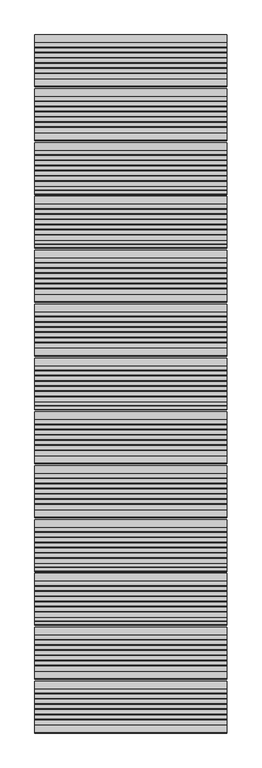
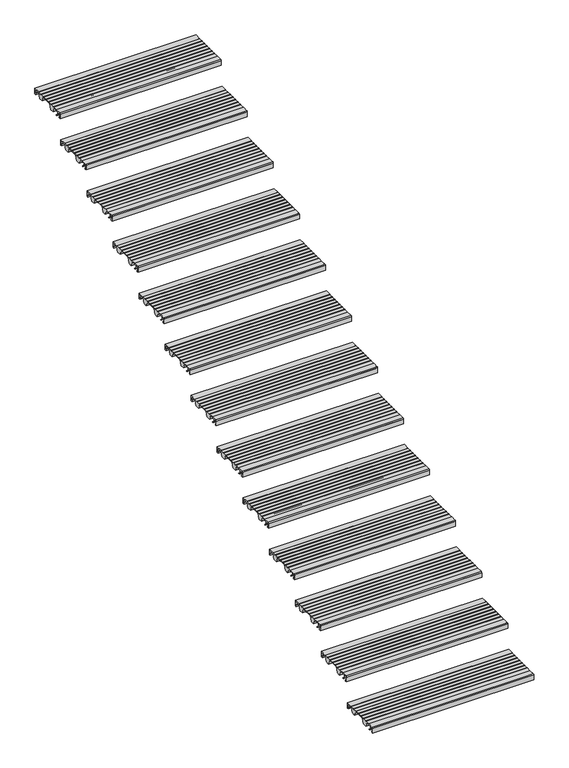
"""IFC4 building model written with IfcOpenShell, lengths in millimetres: stair flight geometry."""

from ifc_helpers import new_model, si_unit, point, frame, frame_2d, origin, place, context, project, spatial, polyline, circle_curve, trimmed, segment, composite_curve, outline, extrude, source, transform, mapped, element, save


def stair_flight_a0daeafb(model_context):
    return source(origin(), model_context, "Body", "SweptSolid", [
        extrude(outline(composite_curve([segment(polyline([(-5635.7714581, 142.2436313), (-5624.0121655, 133.0961128), (-5620.5625929, 133.0885102), (-5620.5684453, 130.4330421), (-5624.9259703, 130.4426458), (-5638.2117943, 140.7776485), (-5638.8689923, 160.5772032), (-5655.6889024, 160.5401335), (-5655.6889024, 139.1885558), (-5649.7889347, 139.2015588), (-5649.7889347, 129.9429101), (-5658.9832568, 129.9429101), (-5658.9832568, 160.8235294)]), True, "CONTINUOUS"), segment(trimmed(circle_curve(frame_2d((-5653.9832568, 160.8235294)), 5.0), [point((-5658.9832568, 160.8235294))], [point((-5653.9832568, 165.8235294))], False, "CARTESIAN"), True, "CONTINUOUS"), segment(polyline([(-5653.9832568, 165.8235294), (-5619.2747035, 165.8235294), (-5619.2747035, 164.4415536), (-5589.2485475, 164.3753783), (-5589.2485475, 165.9642153), (-5587.213968, 165.9642153), (-5587.213968, 164.0199324), (-5562.3673917, 164.0199324), (-5562.3673917, 165.9642153), (-5560.3328122, 165.9642153), (-5560.3328122, 164.0199324), (-5535.4862358, 164.0199324), (-5535.4862358, 165.9642153), (-5533.4516563, 165.9642153), (-5533.4516563, 164.0199324), (-5508.60508, 164.0199324), (-5508.60508, 165.9642153), (-5506.5705005, 165.9642153), (-5506.5705005, 164.0199324), (-5481.7239241, 164.0199324), (-5481.7239241, 165.9642153), (-5479.6893446, 165.9642153), (-5479.6893446, 164.0199324), (-5454.852176, 164.0199324), (-5454.852176, 165.9642153), (-5452.8175965, 165.9642153), (-5452.8175965, 164.0199324), (-5427.9697223, 164.0199324), (-5427.9697223, 165.9094525), (-5388.9832568, 165.8235294), (-5388.9832568, 129.9226465), (-5398.1775789, 129.9429101), (-5398.1775789, 139.2015588), (-5392.2776112, 139.1885558), (-5392.2776112, 160.5401335), (-5430.4991521, 160.6243708), (-5441.2246336, 130.0377824), (-5466.1164136, 130.092642), (-5479.1103611, 161.2983621), (-5549.7810763, 161.4541148), (-5560.7051778, 130.3011082), (-5585.5969579, 130.3559677), (-5598.6696565, 161.7508134), (-5619.2747035, 161.7962253), (-5619.2747035, 160.6203875), (-5636.3801784, 160.5826884), (-5635.7714581, 142.2436313)]), True, "CONTINUOUS")], self_intersect=False)), frame((-11015.7515248, 0.0, 0.0), z_axis=(1.0, 0.0, 0.0), x_axis=(0.0, 1.0, 0.0)), (0.0, 0.0, 1.0), 1000.0),
        extrude(outline(composite_curve([segment(polyline([(-5355.7714581, 308.0671607), (-5344.0121655, 298.9196422), (-5340.5625929, 298.9120396), (-5340.5684453, 296.2565715), (-5344.9259703, 296.2661752), (-5358.2117943, 306.6011779), (-5358.8689923, 326.4007327), (-5375.6889024, 326.3636629), (-5375.6889024, 305.0120852), (-5369.7889347, 305.0250882), (-5369.7889347, 295.7664395), (-5378.9832568, 295.7664395), (-5378.9832568, 326.6470588)]), True, "CONTINUOUS"), segment(trimmed(circle_curve(frame_2d((-5373.9832568, 326.6470588)), 5.0), [point((-5378.9832568, 326.6470588))], [point((-5373.9832568, 331.6470588))], False, "CARTESIAN"), True, "CONTINUOUS"), segment(polyline([(-5373.9832568, 331.6470588), (-5339.2747035, 331.6470588), (-5339.2747035, 330.265083), (-5309.2485475, 330.1989077), (-5309.2485475, 331.7877447), (-5307.213968, 331.7877447), (-5307.213968, 329.8434618), (-5282.3673917, 329.8434618), (-5282.3673917, 331.7877447), (-5280.3328122, 331.7877447), (-5280.3328122, 329.8434618), (-5255.4862358, 329.8434618), (-5255.4862358, 331.7877447), (-5253.4516563, 331.7877447), (-5253.4516563, 329.8434618), (-5228.60508, 329.8434618), (-5228.60508, 331.7877447), (-5226.5705005, 331.7877447), (-5226.5705005, 329.8434618), (-5201.7239241, 329.8434618), (-5201.7239241, 331.7877447), (-5199.6893446, 331.7877447), (-5199.6893446, 329.8434618), (-5174.852176, 329.8434618), (-5174.852176, 331.7877447), (-5172.8175965, 331.7877447), (-5172.8175965, 329.8434618), (-5147.9697223, 329.8434618), (-5147.9697223, 331.7329819), (-5108.9832568, 331.6470588), (-5108.9832568, 295.7461759), (-5118.1775789, 295.7664395), (-5118.1775789, 305.0250882), (-5112.2776112, 305.0120852), (-5112.2776112, 326.3636629), (-5150.4991521, 326.4479002), (-5161.2246336, 295.8613118), (-5186.1164136, 295.9161714), (-5199.1103611, 327.1218915), (-5269.7810763, 327.2776442), (-5280.7051778, 296.1246376), (-5305.5969579, 296.1794971), (-5318.6696565, 327.5743428), (-5339.2747035, 327.6197548), (-5339.2747035, 326.4439169), (-5356.3801784, 326.4062178), (-5355.7714581, 308.0671607)]), True, "CONTINUOUS")], self_intersect=False)), frame((-11015.7515248, 0.0, 0.0), z_axis=(1.0, 0.0, 0.0), x_axis=(0.0, 1.0, 0.0)), (0.0, 0.0, 1.0), 1000.0),
        extrude(outline(composite_curve([segment(polyline([(-5075.7714581, 473.8906902), (-5064.0121655, 464.7431716), (-5060.5625929, 464.735569), (-5060.5684453, 462.080101), (-5064.9259703, 462.0897046), (-5078.2117943, 472.4247073), (-5078.8689923, 492.2242621), (-5095.6889024, 492.1871923), (-5095.6889024, 470.8356146), (-5089.7889347, 470.8486177), (-5089.7889347, 461.5899689), (-5098.9832568, 461.5899689), (-5098.9832568, 492.4705882)]), True, "CONTINUOUS"), segment(trimmed(circle_curve(frame_2d((-5093.9832568, 492.4705882)), 5.0), [point((-5098.9832568, 492.4705882))], [point((-5093.9832568, 497.4705882))], False, "CARTESIAN"), True, "CONTINUOUS"), segment(polyline([(-5093.9832568, 497.4705882), (-5059.2747035, 497.4705882), (-5059.2747035, 496.0886124), (-5029.2485475, 496.0224371), (-5029.2485475, 497.6112741), (-5027.213968, 497.6112741), (-5027.213968, 495.6669912), (-5002.3673917, 495.6669912), (-5002.3673917, 497.6112741), (-5000.3328122, 497.6112741), (-5000.3328122, 495.6669912), (-4975.4862358, 495.6669912), (-4975.4862358, 497.6112741), (-4973.4516563, 497.6112741), (-4973.4516563, 495.6669912), (-4948.60508, 495.6669912), (-4948.60508, 497.6112741), (-4946.5705005, 497.6112741), (-4946.5705005, 495.6669912), (-4921.7239241, 495.6669912), (-4921.7239241, 497.6112741), (-4919.6893446, 497.6112741), (-4919.6893446, 495.6669912), (-4894.852176, 495.6669912), (-4894.852176, 497.6112741), (-4892.8175965, 497.6112741), (-4892.8175965, 495.6669912), (-4867.9697223, 495.6669912), (-4867.9697223, 497.5565113), (-4828.9832568, 497.4705882), (-4828.9832568, 461.5697053), (-4838.1775789, 461.5899689), (-4838.1775789, 470.8486177), (-4832.2776112, 470.8356146), (-4832.2776112, 492.1871923), (-4870.4991521, 492.2714296), (-4881.2246336, 461.6848412), (-4906.1164136, 461.7397008), (-4919.1103611, 492.9454209), (-4989.7810763, 493.1011736), (-5000.7051778, 461.948167), (-5025.5969579, 462.0030265), (-5038.6696565, 493.3978723), (-5059.2747035, 493.4432842), (-5059.2747035, 492.2674463), (-5076.3801784, 492.2297472), (-5075.7714581, 473.8906902)]), True, "CONTINUOUS")], self_intersect=False)), frame((-11015.7515248, 0.0, 0.0), z_axis=(1.0, 0.0, 0.0), x_axis=(0.0, 1.0, 0.0)), (0.0, 0.0, 1.0), 1000.0),
        extrude(outline(composite_curve([segment(polyline([(-4795.7714581, 639.7142196), (-4784.0121655, 630.566701), (-4780.5625929, 630.5590984), (-4780.5684453, 627.9036304), (-4784.9259703, 627.913234), (-4798.2117943, 638.2482367), (-4798.8689923, 658.0477915), (-4815.6889024, 658.0107217), (-4815.6889024, 636.659144), (-4809.7889347, 636.6721471), (-4809.7889347, 627.4134983), (-4818.9832568, 627.4134983), (-4818.9832568, 658.2941176)]), True, "CONTINUOUS"), segment(trimmed(circle_curve(frame_2d((-4813.9832568, 658.2941176)), 5.0), [point((-4818.9832568, 658.2941176))], [point((-4813.9832568, 663.2941176))], False, "CARTESIAN"), True, "CONTINUOUS"), segment(polyline([(-4813.9832568, 663.2941176), (-4779.2747035, 663.2941176), (-4779.2747035, 661.9121418), (-4749.2485475, 661.8459665), (-4749.2485475, 663.4348035), (-4747.213968, 663.4348035), (-4747.213968, 661.4905206), (-4722.3673917, 661.4905206), (-4722.3673917, 663.4348035), (-4720.3328122, 663.4348035), (-4720.3328122, 661.4905206), (-4695.4862358, 661.4905206), (-4695.4862358, 663.4348035), (-4693.4516563, 663.4348035), (-4693.4516563, 661.4905206), (-4668.60508, 661.4905206), (-4668.60508, 663.4348035), (-4666.5705005, 663.4348035), (-4666.5705005, 661.4905206), (-4641.7239241, 661.4905206), (-4641.7239241, 663.4348035), (-4639.6893446, 663.4348035), (-4639.6893446, 661.4905206), (-4614.852176, 661.4905206), (-4614.852176, 663.4348035), (-4612.8175965, 663.4348035), (-4612.8175965, 661.4905206), (-4587.9697223, 661.4905206), (-4587.9697223, 663.3800408), (-4548.9832568, 663.2941176), (-4548.9832568, 627.3932348), (-4558.1775789, 627.4134983), (-4558.1775789, 636.6721471), (-4552.2776112, 636.659144), (-4552.2776112, 658.0107217), (-4590.4991521, 658.094959), (-4601.2246336, 627.5083707), (-4626.1164136, 627.5632302), (-4639.1103611, 658.7689503), (-4709.7810763, 658.9247031), (-4720.7051778, 627.7716964), (-4745.5969579, 627.8265559), (-4758.6696565, 659.2214017), (-4779.2747035, 659.2668136), (-4779.2747035, 658.0909758), (-4796.3801784, 658.0532766), (-4795.7714581, 639.7142196)]), True, "CONTINUOUS")], self_intersect=False)), frame((-11015.7515248, 0.0, 0.0), z_axis=(1.0, 0.0, 0.0), x_axis=(0.0, 1.0, 0.0)), (0.0, 0.0, 1.0), 1000.0),
        extrude(outline(composite_curve([segment(polyline([(-4515.7714581, 805.537749), (-4504.0121655, 796.3902304), (-4500.5625929, 796.3826279), (-4500.5684453, 793.7271598), (-4504.9259703, 793.7367634), (-4518.2117943, 804.0717661), (-4518.8689923, 823.8713209), (-4535.6889024, 823.8342511), (-4535.6889024, 802.4826734), (-4529.7889347, 802.4956765), (-4529.7889347, 793.2370277), (-4538.9832568, 793.2370277), (-4538.9832568, 824.1176471)]), True, "CONTINUOUS"), segment(trimmed(circle_curve(frame_2d((-4533.9832568, 824.1176471)), 5.0), [point((-4538.9832568, 824.1176471))], [point((-4533.9832568, 829.1176471))], False, "CARTESIAN"), True, "CONTINUOUS"), segment(polyline([(-4533.9832568, 829.1176471), (-4499.2747035, 829.1176471), (-4499.2747035, 827.7356712), (-4469.2485475, 827.6694959), (-4469.2485475, 829.2583329), (-4467.213968, 829.2583329), (-4467.213968, 827.31405), (-4442.3673917, 827.31405), (-4442.3673917, 829.2583329), (-4440.3328122, 829.2583329), (-4440.3328122, 827.31405), (-4415.4862358, 827.31405), (-4415.4862358, 829.2583329), (-4413.4516563, 829.2583329), (-4413.4516563, 827.31405), (-4388.60508, 827.31405), (-4388.60508, 829.2583329), (-4386.5705005, 829.2583329), (-4386.5705005, 827.31405), (-4361.7239241, 827.31405), (-4361.7239241, 829.2583329), (-4359.6893446, 829.2583329), (-4359.6893446, 827.31405), (-4334.852176, 827.31405), (-4334.852176, 829.2583329), (-4332.8175965, 829.2583329), (-4332.8175965, 827.31405), (-4307.9697223, 827.31405), (-4307.9697223, 829.2035702), (-4268.9832568, 829.1176471), (-4268.9832568, 793.2167642), (-4278.1775789, 793.2370277), (-4278.1775789, 802.4956765), (-4272.2776112, 802.4826734), (-4272.2776112, 823.8342511), (-4310.4991521, 823.9184884), (-4321.2246336, 793.3319001), (-4346.1164136, 793.3867596), (-4359.1103611, 824.5924798), (-4429.7810763, 824.7482325), (-4440.7051778, 793.5952258), (-4465.5969579, 793.6500854), (-4478.6696565, 825.0449311), (-4499.2747035, 825.090343), (-4499.2747035, 823.9145052), (-4516.3801784, 823.876806), (-4515.7714581, 805.537749)]), True, "CONTINUOUS")], self_intersect=False)), frame((-11015.7515248, 0.0, 0.0), z_axis=(1.0, 0.0, 0.0), x_axis=(0.0, 1.0, 0.0)), (0.0, 0.0, 1.0), 1000.0),
        extrude(outline(composite_curve([segment(polyline([(-4235.7714581, 971.3612784), (-4224.0121655, 962.2137599), (-4220.5625929, 962.2061573), (-4220.5684453, 959.5506892), (-4224.9259703, 959.5602928), (-4238.2117943, 969.8952956), (-4238.8689923, 989.6948503), (-4255.6889024, 989.6577805), (-4255.6889024, 968.3062028), (-4249.7889347, 968.3192059), (-4249.7889347, 959.0605571), (-4258.9832568, 959.0605571), (-4258.9832568, 989.9411765)]), True, "CONTINUOUS"), segment(trimmed(circle_curve(frame_2d((-4253.9832568, 989.9411765)), 5.0), [point((-4258.9832568, 989.9411765))], [point((-4253.9832568, 994.9411765))], False, "CARTESIAN"), True, "CONTINUOUS"), segment(polyline([(-4253.9832568, 994.9411765), (-4219.2747035, 994.9411765), (-4219.2747035, 993.5592006), (-4189.2485475, 993.4930253), (-4189.2485475, 995.0818624), (-4187.213968, 995.0818624), (-4187.213968, 993.1375794), (-4162.3673917, 993.1375794), (-4162.3673917, 995.0818624), (-4160.3328122, 995.0818624), (-4160.3328122, 993.1375794), (-4135.4862358, 993.1375794), (-4135.4862358, 995.0818624), (-4133.4516563, 995.0818624), (-4133.4516563, 993.1375794), (-4108.60508, 993.1375794), (-4108.60508, 995.0818624), (-4106.5705005, 995.0818624), (-4106.5705005, 993.1375794), (-4081.7239241, 993.1375794), (-4081.7239241, 995.0818624), (-4079.6893446, 995.0818624), (-4079.6893446, 993.1375794), (-4054.852176, 993.1375794), (-4054.852176, 995.0818624), (-4052.8175965, 995.0818624), (-4052.8175965, 993.1375794), (-4027.9697223, 993.1375794), (-4027.9697223, 995.0270996), (-3988.9832568, 994.9411765), (-3988.9832568, 959.0402936), (-3998.1775789, 959.0605571), (-3998.1775789, 968.3192059), (-3992.2776112, 968.3062028), (-3992.2776112, 989.6577805), (-4030.4991521, 989.7420178), (-4041.2246336, 959.1554295), (-4066.1164136, 959.210289), (-4079.1103611, 990.4160092), (-4149.7810763, 990.5717619), (-4160.7051778, 959.4187552), (-4185.5969579, 959.4736148), (-4198.6696565, 990.8684605), (-4219.2747035, 990.9138724), (-4219.2747035, 989.7380346), (-4236.3801784, 989.7003355), (-4235.7714581, 971.3612784)]), True, "CONTINUOUS")], self_intersect=False)), frame((-11015.7515248, 0.0, 0.0), z_axis=(1.0, 0.0, 0.0), x_axis=(0.0, 1.0, 0.0)), (0.0, 0.0, 1.0), 1000.0),
        extrude(outline(composite_curve([segment(polyline([(-3955.7714581, 1137.1848078), (-3944.0121655, 1128.0372893), (-3940.5625929, 1128.0296867), (-3940.5684453, 1125.3742186), (-3944.9259703, 1125.3838222), (-3958.2117943, 1135.718825), (-3958.8689923, 1155.5183797), (-3975.6889024, 1155.48131), (-3975.6889024, 1134.1297322), (-3969.7889347, 1134.1427353), (-3969.7889347, 1124.8840866), (-3978.9832568, 1124.8840866), (-3978.9832568, 1155.7647059)]), True, "CONTINUOUS"), segment(trimmed(circle_curve(frame_2d((-3973.9832568, 1155.7647059)), 5.0), [point((-3978.9832568, 1155.7647059))], [point((-3973.9832568, 1160.7647059))], False, "CARTESIAN"), True, "CONTINUOUS"), segment(polyline([(-3973.9832568, 1160.7647059), (-3939.2747035, 1160.7647059), (-3939.2747035, 1159.38273), (-3909.2485475, 1159.3165547), (-3909.2485475, 1160.9053918), (-3907.213968, 1160.9053918), (-3907.213968, 1158.9611088), (-3882.3673917, 1158.9611088), (-3882.3673917, 1160.9053918), (-3880.3328122, 1160.9053918), (-3880.3328122, 1158.9611088), (-3855.4862358, 1158.9611088), (-3855.4862358, 1160.9053918), (-3853.4516563, 1160.9053918), (-3853.4516563, 1158.9611088), (-3828.60508, 1158.9611088), (-3828.60508, 1160.9053918), (-3826.5705005, 1160.9053918), (-3826.5705005, 1158.9611088), (-3801.7239241, 1158.9611088), (-3801.7239241, 1160.9053918), (-3799.6893446, 1160.9053918), (-3799.6893446, 1158.9611088), (-3774.852176, 1158.9611088), (-3774.852176, 1160.9053918), (-3772.8175965, 1160.9053918), (-3772.8175965, 1158.9611088), (-3747.9697223, 1158.9611088), (-3747.9697223, 1160.850629), (-3708.9832568, 1160.7647059), (-3708.9832568, 1124.863823), (-3718.1775789, 1124.8840866), (-3718.1775789, 1134.1427353), (-3712.2776112, 1134.1297322), (-3712.2776112, 1155.48131), (-3750.4991521, 1155.5655472), (-3761.2246336, 1124.9789589), (-3786.1164136, 1125.0338184), (-3799.1103611, 1156.2395386), (-3869.7810763, 1156.3952913), (-3880.7051778, 1125.2422846), (-3905.5969579, 1125.2971442), (-3918.6696565, 1156.6919899), (-3939.2747035, 1156.7374018), (-3939.2747035, 1155.561564), (-3956.3801784, 1155.5238649), (-3955.7714581, 1137.1848078)]), True, "CONTINUOUS")], self_intersect=False)), frame((-11015.7515248, 0.0, 0.0), z_axis=(1.0, 0.0, 0.0), x_axis=(0.0, 1.0, 0.0)), (0.0, 0.0, 1.0), 1000.0),
        extrude(outline(composite_curve([segment(polyline([(-3675.7714581, 1303.0083372), (-3664.0121655, 1293.8608187), (-3660.5625929, 1293.8532161), (-3660.5684453, 1291.197748), (-3664.9259703, 1291.2073517), (-3678.2117943, 1301.5423544), (-3678.8689923, 1321.3419091), (-3695.6889024, 1321.3048394), (-3695.6889024, 1299.9532616), (-3689.7889347, 1299.9662647), (-3689.7889347, 1290.707616), (-3698.9832568, 1290.707616), (-3698.9832568, 1321.5882353)]), True, "CONTINUOUS"), segment(trimmed(circle_curve(frame_2d((-3693.9832568, 1321.5882353)), 5.0), [point((-3698.9832568, 1321.5882353))], [point((-3693.9832568, 1326.5882353))], False, "CARTESIAN"), True, "CONTINUOUS"), segment(polyline([(-3693.9832568, 1326.5882353), (-3659.2747035, 1326.5882353), (-3659.2747035, 1325.2062594), (-3629.2485475, 1325.1400841), (-3629.2485475, 1326.7289212), (-3627.213968, 1326.7289212), (-3627.213968, 1324.7846383), (-3602.3673917, 1324.7846383), (-3602.3673917, 1326.7289212), (-3600.3328122, 1326.7289212), (-3600.3328122, 1324.7846383), (-3575.4862358, 1324.7846383), (-3575.4862358, 1326.7289212), (-3573.4516563, 1326.7289212), (-3573.4516563, 1324.7846383), (-3548.60508, 1324.7846383), (-3548.60508, 1326.7289212), (-3546.5705005, 1326.7289212), (-3546.5705005, 1324.7846383), (-3521.7239241, 1324.7846383), (-3521.7239241, 1326.7289212), (-3519.6893446, 1326.7289212), (-3519.6893446, 1324.7846383), (-3494.852176, 1324.7846383), (-3494.852176, 1326.7289212), (-3492.8175965, 1326.7289212), (-3492.8175965, 1324.7846383), (-3467.9697223, 1324.7846383), (-3467.9697223, 1326.6741584), (-3428.9832568, 1326.5882353), (-3428.9832568, 1290.6873524), (-3438.1775789, 1290.707616), (-3438.1775789, 1299.9662647), (-3432.2776112, 1299.9532616), (-3432.2776112, 1321.3048394), (-3470.4991521, 1321.3890766), (-3481.2246336, 1290.8024883), (-3506.1164136, 1290.8573478), (-3519.1103611, 1322.063068), (-3589.7810763, 1322.2188207), (-3600.7051778, 1291.0658141), (-3625.5969579, 1291.1206736), (-3638.6696565, 1322.5155193), (-3659.2747035, 1322.5609312), (-3659.2747035, 1321.3850934), (-3676.3801784, 1321.3473943), (-3675.7714581, 1303.0083372)]), True, "CONTINUOUS")], self_intersect=False)), frame((-11015.7515248, 0.0, 0.0), z_axis=(1.0, 0.0, 0.0), x_axis=(0.0, 1.0, 0.0)), (0.0, 0.0, 1.0), 1000.0),
        extrude(outline(composite_curve([segment(polyline([(-3395.7714581, 1468.8318666), (-3384.0121655, 1459.6843481), (-3380.5625929, 1459.6767455), (-3380.5684453, 1457.0212774), (-3384.9259703, 1457.0308811), (-3398.2117943, 1467.3658838), (-3398.8689923, 1487.1654385), (-3415.6889024, 1487.1283688), (-3415.6889024, 1465.7767911), (-3409.7889347, 1465.7897941), (-3409.7889347, 1456.5311454), (-3418.9832568, 1456.5311454), (-3418.9832568, 1487.4117647)]), True, "CONTINUOUS"), segment(trimmed(circle_curve(frame_2d((-3413.9832568, 1487.4117647)), 5.0), [point((-3418.9832568, 1487.4117647))], [point((-3413.9832568, 1492.4117647))], False, "CARTESIAN"), True, "CONTINUOUS"), segment(polyline([(-3413.9832568, 1492.4117647), (-3379.2747035, 1492.4117647), (-3379.2747035, 1491.0297889), (-3349.2485475, 1490.9636136), (-3349.2485475, 1492.5524506), (-3347.213968, 1492.5524506), (-3347.213968, 1490.6081677), (-3322.3673917, 1490.6081677), (-3322.3673917, 1492.5524506), (-3320.3328122, 1492.5524506), (-3320.3328122, 1490.6081677), (-3295.4862358, 1490.6081677), (-3295.4862358, 1492.5524506), (-3293.4516563, 1492.5524506), (-3293.4516563, 1490.6081677), (-3268.60508, 1490.6081677), (-3268.60508, 1492.5524506), (-3266.5705005, 1492.5524506), (-3266.5705005, 1490.6081677), (-3241.7239241, 1490.6081677), (-3241.7239241, 1492.5524506), (-3239.6893446, 1492.5524506), (-3239.6893446, 1490.6081677), (-3214.852176, 1490.6081677), (-3214.852176, 1492.5524506), (-3212.8175965, 1492.5524506), (-3212.8175965, 1490.6081677), (-3187.9697223, 1490.6081677), (-3187.9697223, 1492.4976878), (-3148.9832568, 1492.4117647), (-3148.9832568, 1456.5108818), (-3158.1775789, 1456.5311454), (-3158.1775789, 1465.7897941), (-3152.2776112, 1465.7767911), (-3152.2776112, 1487.1283688), (-3190.4991521, 1487.2126061), (-3201.2246336, 1456.6260177), (-3226.1164136, 1456.6808772), (-3239.1103611, 1487.8865974), (-3309.7810763, 1488.0423501), (-3320.7051778, 1456.8893435), (-3345.5969579, 1456.944203), (-3358.6696565, 1488.3390487), (-3379.2747035, 1488.3844606), (-3379.2747035, 1487.2086228), (-3396.3801784, 1487.1709237), (-3395.7714581, 1468.8318666)]), True, "CONTINUOUS")], self_intersect=False)), frame((-11015.7515248, 0.0, 0.0), z_axis=(1.0, 0.0, 0.0), x_axis=(0.0, 1.0, 0.0)), (0.0, 0.0, 1.0), 1000.0),
        extrude(outline(composite_curve([segment(polyline([(-3115.7714581, 1634.655396), (-3104.0121655, 1625.5078775), (-3100.5625929, 1625.5002749), (-3100.5684453, 1622.8448068), (-3104.9259703, 1622.8544105), (-3118.2117943, 1633.1894132), (-3118.8689923, 1652.988968), (-3135.6889024, 1652.9518982), (-3135.6889024, 1631.6003205), (-3129.7889347, 1631.6133235), (-3129.7889347, 1622.3546748), (-3138.9832568, 1622.3546748), (-3138.9832568, 1653.2352941)]), True, "CONTINUOUS"), segment(trimmed(circle_curve(frame_2d((-3133.9832568, 1653.2352941)), 5.0), [point((-3138.9832568, 1653.2352941))], [point((-3133.9832568, 1658.2352941))], False, "CARTESIAN"), True, "CONTINUOUS"), segment(polyline([(-3133.9832568, 1658.2352941), (-3099.2747035, 1658.2352941), (-3099.2747035, 1656.8533183), (-3069.2485475, 1656.787143), (-3069.2485475, 1658.37598), (-3067.213968, 1658.37598), (-3067.213968, 1656.4316971), (-3042.3673917, 1656.4316971), (-3042.3673917, 1658.37598), (-3040.3328122, 1658.37598), (-3040.3328122, 1656.4316971), (-3015.4862358, 1656.4316971), (-3015.4862358, 1658.37598), (-3013.4516563, 1658.37598), (-3013.4516563, 1656.4316971), (-2988.60508, 1656.4316971), (-2988.60508, 1658.37598), (-2986.5705005, 1658.37598), (-2986.5705005, 1656.4316971), (-2961.7239241, 1656.4316971), (-2961.7239241, 1658.37598), (-2959.6893446, 1658.37598), (-2959.6893446, 1656.4316971), (-2934.852176, 1656.4316971), (-2934.852176, 1658.37598), (-2932.8175965, 1658.37598), (-2932.8175965, 1656.4316971), (-2907.9697223, 1656.4316971), (-2907.9697223, 1658.3212172), (-2868.9832568, 1658.2352941), (-2868.9832568, 1622.3344112), (-2878.1775789, 1622.3546748), (-2878.1775789, 1631.6133235), (-2872.2776112, 1631.6003205), (-2872.2776112, 1652.9518982), (-2910.4991521, 1653.0361355), (-2921.2246336, 1622.4495471), (-2946.1164136, 1622.5044067), (-2959.1103611, 1653.7101268), (-3029.7810763, 1653.8658795), (-3040.7051778, 1622.7128729), (-3065.5969579, 1622.7677324), (-3078.6696565, 1654.1625781), (-3099.2747035, 1654.2079901), (-3099.2747035, 1653.0321522), (-3116.3801784, 1652.9944531), (-3115.7714581, 1634.655396)]), True, "CONTINUOUS")], self_intersect=False)), frame((-11015.7515248, 0.0, 0.0), z_axis=(1.0, 0.0, 0.0), x_axis=(0.0, 1.0, 0.0)), (0.0, 0.0, 1.0), 1000.0),
        extrude(outline(composite_curve([segment(polyline([(-2835.7714581, 1800.4789255), (-2824.0121655, 1791.3314069), (-2820.5625929, 1791.3238043), (-2820.5684453, 1788.6683362), (-2824.9259703, 1788.6779399), (-2838.2117943, 1799.0129426), (-2838.8689923, 1818.8124974), (-2855.6889024, 1818.7754276), (-2855.6889024, 1797.4238499), (-2849.7889347, 1797.436853), (-2849.7889347, 1788.1782042), (-2858.9832568, 1788.1782042), (-2858.9832568, 1819.0588235)]), True, "CONTINUOUS"), segment(trimmed(circle_curve(frame_2d((-2853.9832568, 1819.0588235)), 5.0), [point((-2858.9832568, 1819.0588235))], [point((-2853.9832568, 1824.0588235))], False, "CARTESIAN"), True, "CONTINUOUS"), segment(polyline([(-2853.9832568, 1824.0588235), (-2819.2747035, 1824.0588235), (-2819.2747035, 1822.6768477), (-2789.2485475, 1822.6106724), (-2789.2485475, 1824.1995094), (-2787.213968, 1824.1995094), (-2787.213968, 1822.2552265), (-2762.3673917, 1822.2552265), (-2762.3673917, 1824.1995094), (-2760.3328122, 1824.1995094), (-2760.3328122, 1822.2552265), (-2735.4862358, 1822.2552265), (-2735.4862358, 1824.1995094), (-2733.4516563, 1824.1995094), (-2733.4516563, 1822.2552265), (-2708.60508, 1822.2552265), (-2708.60508, 1824.1995094), (-2706.5705005, 1824.1995094), (-2706.5705005, 1822.2552265), (-2681.7239241, 1822.2552265), (-2681.7239241, 1824.1995094), (-2679.6893446, 1824.1995094), (-2679.6893446, 1822.2552265), (-2654.852176, 1822.2552265), (-2654.852176, 1824.1995094), (-2652.8175965, 1824.1995094), (-2652.8175965, 1822.2552265), (-2627.9697223, 1822.2552265), (-2627.9697223, 1824.1447466), (-2588.9832568, 1824.0588235), (-2588.9832568, 1788.1579406), (-2598.1775789, 1788.1782042), (-2598.1775789, 1797.436853), (-2592.2776112, 1797.4238499), (-2592.2776112, 1818.7754276), (-2630.4991521, 1818.8596649), (-2641.2246336, 1788.2730765), (-2666.1164136, 1788.3279361), (-2679.1103611, 1819.5336562), (-2749.7810763, 1819.6894089), (-2760.7051778, 1788.5364023), (-2785.5969579, 1788.5912618), (-2798.6696565, 1819.9861076), (-2819.2747035, 1820.0315195), (-2819.2747035, 1818.8556816), (-2836.3801784, 1818.8179825), (-2835.7714581, 1800.4789255)]), True, "CONTINUOUS")], self_intersect=False)), frame((-11015.7515248, 0.0, 0.0), z_axis=(1.0, 0.0, 0.0), x_axis=(0.0, 1.0, 0.0)), (0.0, 0.0, 1.0), 1000.0),
        extrude(outline(composite_curve([segment(polyline([(-2555.7714581, 1966.3024549), (-2544.0121655, 1957.1549363), (-2540.5625929, 1957.1473337), (-2540.5684453, 1954.4918657), (-2544.9259703, 1954.5014693), (-2558.2117943, 1964.836472), (-2558.8689923, 1984.6360268), (-2575.6889024, 1984.598957), (-2575.6889024, 1963.2473793), (-2569.7889347, 1963.2603824), (-2569.7889347, 1954.0017336), (-2578.9832568, 1954.0017336), (-2578.9832568, 1984.8823529)]), True, "CONTINUOUS"), segment(trimmed(circle_curve(frame_2d((-2573.9832568, 1984.8823529)), 5.0), [point((-2578.9832568, 1984.8823529))], [point((-2573.9832568, 1989.8823529))], False, "CARTESIAN"), True, "CONTINUOUS"), segment(polyline([(-2573.9832568, 1989.8823529), (-2539.2747035, 1989.8823529), (-2539.2747035, 1988.5003771), (-2509.2485475, 1988.4342018), (-2509.2485475, 1990.0230388), (-2507.213968, 1990.0230388), (-2507.213968, 1988.0787559), (-2482.3673917, 1988.0787559), (-2482.3673917, 1990.0230388), (-2480.3328122, 1990.0230388), (-2480.3328122, 1988.0787559), (-2455.4862358, 1988.0787559), (-2455.4862358, 1990.0230388), (-2453.4516563, 1990.0230388), (-2453.4516563, 1988.0787559), (-2428.60508, 1988.0787559), (-2428.60508, 1990.0230388), (-2426.5705005, 1990.0230388), (-2426.5705005, 1988.0787559), (-2401.7239241, 1988.0787559), (-2401.7239241, 1990.0230388), (-2399.6893446, 1990.0230388), (-2399.6893446, 1988.0787559), (-2374.852176, 1988.0787559), (-2374.852176, 1990.0230388), (-2372.8175965, 1990.0230388), (-2372.8175965, 1988.0787559), (-2347.9697223, 1988.0787559), (-2347.9697223, 1989.9682761), (-2308.9832568, 1989.8823529), (-2308.9832568, 1953.9814701), (-2318.1775789, 1954.0017336), (-2318.1775789, 1963.2603824), (-2312.2776112, 1963.2473793), (-2312.2776112, 1984.598957), (-2350.4991521, 1984.6831943), (-2361.2246336, 1954.096606), (-2386.1164136, 1954.1514655), (-2399.1103611, 1985.3571856), (-2469.7810763, 1985.5129384), (-2480.7051778, 1954.3599317), (-2505.5969579, 1954.4147912), (-2518.6696565, 1985.809637), (-2539.2747035, 1985.8550489), (-2539.2747035, 1984.6792111), (-2556.3801784, 1984.6415119), (-2555.7714581, 1966.3024549)]), True, "CONTINUOUS")], self_intersect=False)), frame((-11015.7515248, 0.0, 0.0), z_axis=(1.0, 0.0, 0.0), x_axis=(0.0, 1.0, 0.0)), (0.0, 0.0, 1.0), 1000.0),
        extrude(outline(composite_curve([segment(polyline([(-2275.7714581, 2132.1259843), (-2264.0121655, 2122.9784657), (-2260.5625929, 2122.9708632), (-2260.5684453, 2120.3153951), (-2264.9259703, 2120.3249987), (-2278.2117943, 2130.6600014), (-2278.8689923, 2150.4595562), (-2295.6889024, 2150.4224864), (-2295.6889024, 2129.0709087), (-2289.7889347, 2129.0839118), (-2289.7889347, 2119.825263), (-2298.9832568, 2119.825263), (-2298.9832568, 2150.7058824)]), True, "CONTINUOUS"), segment(trimmed(circle_curve(frame_2d((-2293.9832568, 2150.7058824)), 5.0), [point((-2298.9832568, 2150.7058824))], [point((-2293.9832568, 2155.7058824))], False, "CARTESIAN"), True, "CONTINUOUS"), segment(polyline([(-2293.9832568, 2155.7058824), (-2259.2747035, 2155.7058824), (-2259.2747035, 2154.3239065), (-2229.2485475, 2154.2577312), (-2229.2485475, 2155.8465682), (-2227.213968, 2155.8465682), (-2227.213968, 2153.9022853), (-2202.3673917, 2153.9022853), (-2202.3673917, 2155.8465682), (-2200.3328122, 2155.8465682), (-2200.3328122, 2153.9022853), (-2175.4862358, 2153.9022853), (-2175.4862358, 2155.8465682), (-2173.4516563, 2155.8465682), (-2173.4516563, 2153.9022853), (-2148.60508, 2153.9022853), (-2148.60508, 2155.8465682), (-2146.5705005, 2155.8465682), (-2146.5705005, 2153.9022853), (-2121.7239241, 2153.9022853), (-2121.7239241, 2155.8465682), (-2119.6893446, 2155.8465682), (-2119.6893446, 2153.9022853), (-2094.852176, 2153.9022853), (-2094.852176, 2155.8465682), (-2092.8175965, 2155.8465682), (-2092.8175965, 2153.9022853), (-2067.9697223, 2153.9022853), (-2067.9697223, 2155.7918055), (-2028.9832568, 2155.7058824), (-2028.9832568, 2119.8049995), (-2038.1775789, 2119.825263), (-2038.1775789, 2129.0839118), (-2032.2776112, 2129.0709087), (-2032.2776112, 2150.4224864), (-2070.4991521, 2150.5067237), (-2081.2246336, 2119.9201354), (-2106.1164136, 2119.9749949), (-2119.1103611, 2151.180715), (-2189.7810763, 2151.3364678), (-2200.7051778, 2120.1834611), (-2225.5969579, 2120.2383207), (-2238.6696565, 2151.6331664), (-2259.2747035, 2151.6785783), (-2259.2747035, 2150.5027405), (-2276.3801784, 2150.4650413), (-2275.7714581, 2132.1259843)]), True, "CONTINUOUS")], self_intersect=False)), frame((-11015.7515248, 0.0, 0.0), z_axis=(1.0, 0.0, 0.0), x_axis=(0.0, 1.0, 0.0)), (0.0, 0.0, 1.0), 1000.0),
    ])


if __name__ == "__main__":
    model = new_model("IFC4")
    model_context = context("Model", 3, world=origin())
    ifc_project = project(units=[si_unit("LENGTHUNIT", "METRE", prefix="MILLI")], contexts=[model_context])
    site = spatial("IfcSite", under=ifc_project)
    building = spatial("IfcBuilding", under=site)
    placement = place(None, origin())
    stair_flight_shape = stair_flight_a0daeafb(model_context)
    element("IfcStairFlight", 1, at=placement, inside=building, context=model_context, shape_type="MappedRepresentation", body=[
        mapped(stair_flight_shape, transform((0.0, 0.0, 0.0), x_axis=(1.0, 0.0, 0.0), y_axis=(0.0, 1.0, 0.0), z_axis=(0.0, 0.0, 1.0))),
    ])
    save(model, "model.ifc")
